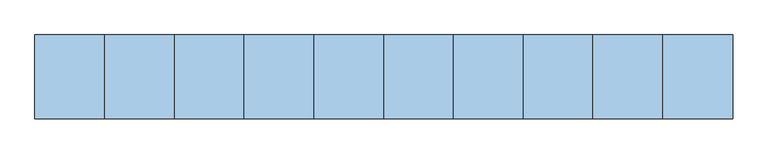
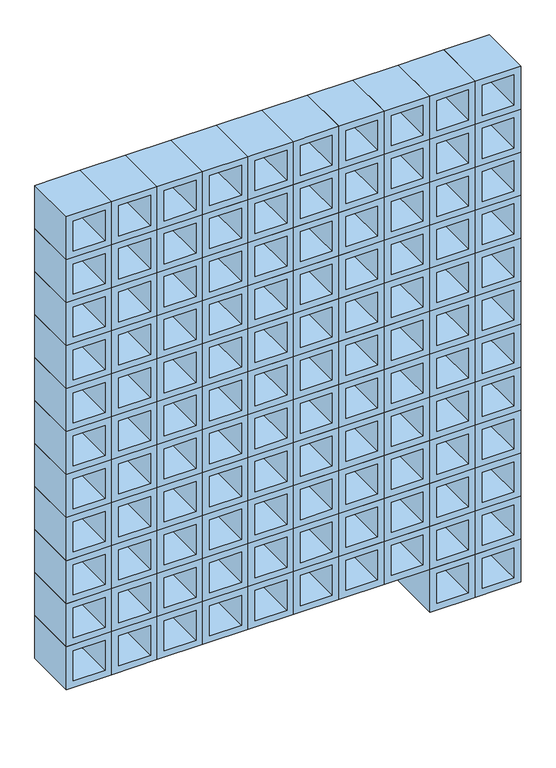
"""IFC4 building model written with IfcOpenShell, lengths in millimetres: window geometry."""

from ifc_helpers import new_model, si_unit, frame, origin, place, context, project, spatial, polyline, outline, extrude, source, transform, mapped, element, save


def window_8a2be642(model_context):
    return source(origin(), model_context, "Body", "SweptSolid", [
        extrude(outline(polyline([(2100.0, 500.0), (2200.0, 500.0), (2200.0, 400.0), (2100.0, 400.0), (2100.0, 500.0)]), holes=[polyline([(2185.0, 415.0), (2185.0, 485.0), (2115.0, 485.0), (2115.0, 415.0), (2185.0, 415.0)])]), frame((0.0, -60.0, 0.0), z_axis=(0.0, 1.0, 0.0), x_axis=(0.0, 0.0, 1.0)), (0.0, 0.0, 1.0), 120.0),
        extrude(outline(polyline([(2100.0, 400.0), (2200.0, 400.0), (2200.0, 300.0), (2100.0, 300.0), (2100.0, 400.0)]), holes=[polyline([(2185.0, 315.0), (2185.0, 385.0), (2115.0, 385.0), (2115.0, 315.0), (2185.0, 315.0)])]), frame((0.0, -60.0, 0.0), z_axis=(0.0, 1.0, 0.0), x_axis=(0.0, 0.0, 1.0)), (0.0, 0.0, 1.0), 120.0),
        extrude(outline(polyline([(2100.0, 300.0), (2200.0, 300.0), (2200.0, 200.0), (2100.0, 200.0), (2100.0, 300.0)]), holes=[polyline([(2185.0, 215.0), (2185.0, 285.0), (2115.0, 285.0), (2115.0, 215.0), (2185.0, 215.0)])]), frame((0.0, -60.0, 0.0), z_axis=(0.0, 1.0, 0.0), x_axis=(0.0, 0.0, 1.0)), (0.0, 0.0, 1.0), 120.0),
        extrude(outline(polyline([(2100.0, 200.0), (2200.0, 200.0), (2200.0, 100.0), (2100.0, 100.0), (2100.0, 200.0)]), holes=[polyline([(2185.0, 115.0), (2185.0, 185.0), (2115.0, 185.0), (2115.0, 115.0), (2185.0, 115.0)])]), frame((0.0, -60.0, 0.0), z_axis=(0.0, 1.0, 0.0), x_axis=(0.0, 0.0, 1.0)), (0.0, 0.0, 1.0), 120.0),
        extrude(outline(polyline([(2100.0, 100.0), (2200.0, 100.0), (2200.0, 0.0), (2100.0, 0.0), (2100.0, 100.0)]), holes=[polyline([(2185.0, 15.0), (2185.0, 85.0), (2115.0, 85.0), (2115.0, 15.0), (2185.0, 15.0)])]), frame((0.0, -60.0, 0.0), z_axis=(0.0, 1.0, 0.0), x_axis=(0.0, 0.0, 1.0)), (0.0, 0.0, 1.0), 120.0),
        extrude(outline(polyline([(2100.0, 0.0), (2200.0, 0.0), (2200.0, -100.0), (2100.0, -100.0), (2100.0, 0.0)]), holes=[polyline([(2185.0, -85.0), (2185.0, -15.0), (2115.0, -15.0), (2115.0, -85.0), (2185.0, -85.0)])]), frame((0.0, -60.0, 0.0), z_axis=(0.0, 1.0, 0.0), x_axis=(0.0, 0.0, 1.0)), (0.0, 0.0, 1.0), 120.0),
        extrude(outline(polyline([(2100.0, -100.0), (2200.0, -100.0), (2200.0, -200.0), (2100.0, -200.0), (2100.0, -100.0)]), holes=[polyline([(2185.0, -185.0), (2185.0, -115.0), (2115.0, -115.0), (2115.0, -185.0), (2185.0, -185.0)])]), frame((0.0, -60.0, 0.0), z_axis=(0.0, 1.0, 0.0), x_axis=(0.0, 0.0, 1.0)), (0.0, 0.0, 1.0), 120.0),
        extrude(outline(polyline([(2100.0, -200.0), (2200.0, -200.0), (2200.0, -300.0), (2100.0, -300.0), (2100.0, -200.0)]), holes=[polyline([(2185.0, -285.0), (2185.0, -215.0), (2115.0, -215.0), (2115.0, -285.0), (2185.0, -285.0)])]), frame((0.0, -60.0, 0.0), z_axis=(0.0, 1.0, 0.0), x_axis=(0.0, 0.0, 1.0)), (0.0, 0.0, 1.0), 120.0),
        extrude(outline(polyline([(2100.0, -300.0), (2200.0, -300.0), (2200.0, -400.0), (2100.0, -400.0), (2100.0, -300.0)]), holes=[polyline([(2185.0, -385.0), (2185.0, -315.0), (2115.0, -315.0), (2115.0, -385.0), (2185.0, -385.0)])]), frame((0.0, -60.0, 0.0), z_axis=(0.0, 1.0, 0.0), x_axis=(0.0, 0.0, 1.0)), (0.0, 0.0, 1.0), 120.0),
        extrude(outline(polyline([(2100.0, -400.0), (2200.0, -400.0), (2200.0, -500.0), (2100.0, -500.0), (2100.0, -400.0)]), holes=[polyline([(2185.0, -485.0), (2185.0, -415.0), (2115.0, -415.0), (2115.0, -485.0), (2185.0, -485.0)])]), frame((0.0, -60.0, 0.0), z_axis=(0.0, 1.0, 0.0), x_axis=(0.0, 0.0, 1.0)), (0.0, 0.0, 1.0), 120.0),
        extrude(outline(polyline([(2000.0, 500.0), (2100.0, 500.0), (2100.0, 400.0), (2000.0, 400.0), (2000.0, 500.0)]), holes=[polyline([(2085.0, 415.0), (2085.0, 485.0), (2015.0, 485.0), (2015.0, 415.0), (2085.0, 415.0)])]), frame((0.0, -60.0, 0.0), z_axis=(0.0, 1.0, 0.0), x_axis=(0.0, 0.0, 1.0)), (0.0, 0.0, 1.0), 120.0),
        extrude(outline(polyline([(2000.0, 400.0), (2100.0, 400.0), (2100.0, 300.0), (2000.0, 300.0), (2000.0, 400.0)]), holes=[polyline([(2085.0, 315.0), (2085.0, 385.0), (2015.0, 385.0), (2015.0, 315.0), (2085.0, 315.0)])]), frame((0.0, -60.0, 0.0), z_axis=(0.0, 1.0, 0.0), x_axis=(0.0, 0.0, 1.0)), (0.0, 0.0, 1.0), 120.0),
        extrude(outline(polyline([(2000.0, 300.0), (2100.0, 300.0), (2100.0, 200.0), (2000.0, 200.0), (2000.0, 300.0)]), holes=[polyline([(2085.0, 215.0), (2085.0, 285.0), (2015.0, 285.0), (2015.0, 215.0), (2085.0, 215.0)])]), frame((0.0, -60.0, 0.0), z_axis=(0.0, 1.0, 0.0), x_axis=(0.0, 0.0, 1.0)), (0.0, 0.0, 1.0), 120.0),
        extrude(outline(polyline([(2000.0, 200.0), (2100.0, 200.0), (2100.0, 100.0), (2000.0, 100.0), (2000.0, 200.0)]), holes=[polyline([(2085.0, 115.0), (2085.0, 185.0), (2015.0, 185.0), (2015.0, 115.0), (2085.0, 115.0)])]), frame((0.0, -60.0, 0.0), z_axis=(0.0, 1.0, 0.0), x_axis=(0.0, 0.0, 1.0)), (0.0, 0.0, 1.0), 120.0),
        extrude(outline(polyline([(2000.0, 100.0), (2100.0, 100.0), (2100.0, 0.0), (2000.0, 0.0), (2000.0, 100.0)]), holes=[polyline([(2085.0, 15.0), (2085.0, 85.0), (2015.0, 85.0), (2015.0, 15.0), (2085.0, 15.0)])]), frame((0.0, -60.0, 0.0), z_axis=(0.0, 1.0, 0.0), x_axis=(0.0, 0.0, 1.0)), (0.0, 0.0, 1.0), 120.0),
        extrude(outline(polyline([(2000.0, 0.0), (2100.0, 0.0), (2100.0, -100.0), (2000.0, -100.0), (2000.0, 0.0)]), holes=[polyline([(2085.0, -85.0), (2085.0, -15.0), (2015.0, -15.0), (2015.0, -85.0), (2085.0, -85.0)])]), frame((0.0, -60.0, 0.0), z_axis=(0.0, 1.0, 0.0), x_axis=(0.0, 0.0, 1.0)), (0.0, 0.0, 1.0), 120.0),
        extrude(outline(polyline([(2000.0, -100.0), (2100.0, -100.0), (2100.0, -200.0), (2000.0, -200.0), (2000.0, -100.0)]), holes=[polyline([(2085.0, -185.0), (2085.0, -115.0), (2015.0, -115.0), (2015.0, -185.0), (2085.0, -185.0)])]), frame((0.0, -60.0, 0.0), z_axis=(0.0, 1.0, 0.0), x_axis=(0.0, 0.0, 1.0)), (0.0, 0.0, 1.0), 120.0),
        extrude(outline(polyline([(2000.0, -200.0), (2100.0, -200.0), (2100.0, -300.0), (2000.0, -300.0), (2000.0, -200.0)]), holes=[polyline([(2085.0, -285.0), (2085.0, -215.0), (2015.0, -215.0), (2015.0, -285.0), (2085.0, -285.0)])]), frame((0.0, -60.0, 0.0), z_axis=(0.0, 1.0, 0.0), x_axis=(0.0, 0.0, 1.0)), (0.0, 0.0, 1.0), 120.0),
        extrude(outline(polyline([(2000.0, -300.0), (2100.0, -300.0), (2100.0, -400.0), (2000.0, -400.0), (2000.0, -300.0)]), holes=[polyline([(2085.0, -385.0), (2085.0, -315.0), (2015.0, -315.0), (2015.0, -385.0), (2085.0, -385.0)])]), frame((0.0, -60.0, 0.0), z_axis=(0.0, 1.0, 0.0), x_axis=(0.0, 0.0, 1.0)), (0.0, 0.0, 1.0), 120.0),
        extrude(outline(polyline([(2000.0, -400.0), (2100.0, -400.0), (2100.0, -500.0), (2000.0, -500.0), (2000.0, -400.0)]), holes=[polyline([(2085.0, -485.0), (2085.0, -415.0), (2015.0, -415.0), (2015.0, -485.0), (2085.0, -485.0)])]), frame((0.0, -60.0, 0.0), z_axis=(0.0, 1.0, 0.0), x_axis=(0.0, 0.0, 1.0)), (0.0, 0.0, 1.0), 120.0),
        extrude(outline(polyline([(1900.0, 500.0), (2000.0, 500.0), (2000.0, 400.0), (1900.0, 400.0), (1900.0, 500.0)]), holes=[polyline([(1985.0, 415.0), (1985.0, 485.0), (1915.0, 485.0), (1915.0, 415.0), (1985.0, 415.0)])]), frame((0.0, -60.0, 0.0), z_axis=(0.0, 1.0, 0.0), x_axis=(0.0, 0.0, 1.0)), (0.0, 0.0, 1.0), 120.0),
        extrude(outline(polyline([(1900.0, 400.0), (2000.0, 400.0), (2000.0, 300.0), (1900.0, 300.0), (1900.0, 400.0)]), holes=[polyline([(1985.0, 315.0), (1985.0, 385.0), (1915.0, 385.0), (1915.0, 315.0), (1985.0, 315.0)])]), frame((0.0, -60.0, 0.0), z_axis=(0.0, 1.0, 0.0), x_axis=(0.0, 0.0, 1.0)), (0.0, 0.0, 1.0), 120.0),
        extrude(outline(polyline([(1900.0, 300.0), (2000.0, 300.0), (2000.0, 200.0), (1900.0, 200.0), (1900.0, 300.0)]), holes=[polyline([(1985.0, 215.0), (1985.0, 285.0), (1915.0, 285.0), (1915.0, 215.0), (1985.0, 215.0)])]), frame((0.0, -60.0, 0.0), z_axis=(0.0, 1.0, 0.0), x_axis=(0.0, 0.0, 1.0)), (0.0, 0.0, 1.0), 120.0),
        extrude(outline(polyline([(1900.0, 200.0), (2000.0, 200.0), (2000.0, 100.0), (1900.0, 100.0), (1900.0, 200.0)]), holes=[polyline([(1985.0, 115.0), (1985.0, 185.0), (1915.0, 185.0), (1915.0, 115.0), (1985.0, 115.0)])]), frame((0.0, -60.0, 0.0), z_axis=(0.0, 1.0, 0.0), x_axis=(0.0, 0.0, 1.0)), (0.0, 0.0, 1.0), 120.0),
        extrude(outline(polyline([(1900.0, 100.0), (2000.0, 100.0), (2000.0, 0.0), (1900.0, 0.0), (1900.0, 100.0)]), holes=[polyline([(1985.0, 15.0), (1985.0, 85.0), (1915.0, 85.0), (1915.0, 15.0), (1985.0, 15.0)])]), frame((0.0, -60.0, 0.0), z_axis=(0.0, 1.0, 0.0), x_axis=(0.0, 0.0, 1.0)), (0.0, 0.0, 1.0), 120.0),
        extrude(outline(polyline([(1900.0, 0.0), (2000.0, 0.0), (2000.0, -100.0), (1900.0, -100.0), (1900.0, 0.0)]), holes=[polyline([(1985.0, -85.0), (1985.0, -15.0), (1915.0, -15.0), (1915.0, -85.0), (1985.0, -85.0)])]), frame((0.0, -60.0, 0.0), z_axis=(0.0, 1.0, 0.0), x_axis=(0.0, 0.0, 1.0)), (0.0, 0.0, 1.0), 120.0),
        extrude(outline(polyline([(1900.0, -100.0), (2000.0, -100.0), (2000.0, -200.0), (1900.0, -200.0), (1900.0, -100.0)]), holes=[polyline([(1985.0, -185.0), (1985.0, -115.0), (1915.0, -115.0), (1915.0, -185.0), (1985.0, -185.0)])]), frame((0.0, -60.0, 0.0), z_axis=(0.0, 1.0, 0.0), x_axis=(0.0, 0.0, 1.0)), (0.0, 0.0, 1.0), 120.0),
        extrude(outline(polyline([(1900.0, -200.0), (2000.0, -200.0), (2000.0, -300.0), (1900.0, -300.0), (1900.0, -200.0)]), holes=[polyline([(1985.0, -285.0), (1985.0, -215.0), (1915.0, -215.0), (1915.0, -285.0), (1985.0, -285.0)])]), frame((0.0, -60.0, 0.0), z_axis=(0.0, 1.0, 0.0), x_axis=(0.0, 0.0, 1.0)), (0.0, 0.0, 1.0), 120.0),
        extrude(outline(polyline([(1900.0, -300.0), (2000.0, -300.0), (2000.0, -400.0), (1900.0, -400.0), (1900.0, -300.0)]), holes=[polyline([(1985.0, -385.0), (1985.0, -315.0), (1915.0, -315.0), (1915.0, -385.0), (1985.0, -385.0)])]), frame((0.0, -60.0, 0.0), z_axis=(0.0, 1.0, 0.0), x_axis=(0.0, 0.0, 1.0)), (0.0, 0.0, 1.0), 120.0),
        extrude(outline(polyline([(1900.0, -400.0), (2000.0, -400.0), (2000.0, -500.0), (1900.0, -500.0), (1900.0, -400.0)]), holes=[polyline([(1985.0, -485.0), (1985.0, -415.0), (1915.0, -415.0), (1915.0, -485.0), (1985.0, -485.0)])]), frame((0.0, -60.0, 0.0), z_axis=(0.0, 1.0, 0.0), x_axis=(0.0, 0.0, 1.0)), (0.0, 0.0, 1.0), 120.0),
        extrude(outline(polyline([(1800.0, 500.0), (1900.0, 500.0), (1900.0, 400.0), (1800.0, 400.0), (1800.0, 500.0)]), holes=[polyline([(1885.0, 415.0), (1885.0, 485.0), (1815.0, 485.0), (1815.0, 415.0), (1885.0, 415.0)])]), frame((0.0, -60.0, 0.0), z_axis=(0.0, 1.0, 0.0), x_axis=(0.0, 0.0, 1.0)), (0.0, 0.0, 1.0), 120.0),
        extrude(outline(polyline([(1800.0, 400.0), (1900.0, 400.0), (1900.0, 300.0), (1800.0, 300.0), (1800.0, 400.0)]), holes=[polyline([(1885.0, 315.0), (1885.0, 385.0), (1815.0, 385.0), (1815.0, 315.0), (1885.0, 315.0)])]), frame((0.0, -60.0, 0.0), z_axis=(0.0, 1.0, 0.0), x_axis=(0.0, 0.0, 1.0)), (0.0, 0.0, 1.0), 120.0),
        extrude(outline(polyline([(1800.0, 300.0), (1900.0, 300.0), (1900.0, 200.0), (1800.0, 200.0), (1800.0, 300.0)]), holes=[polyline([(1885.0, 215.0), (1885.0, 285.0), (1815.0, 285.0), (1815.0, 215.0), (1885.0, 215.0)])]), frame((0.0, -60.0, 0.0), z_axis=(0.0, 1.0, 0.0), x_axis=(0.0, 0.0, 1.0)), (0.0, 0.0, 1.0), 120.0),
        extrude(outline(polyline([(1800.0, 200.0), (1900.0, 200.0), (1900.0, 100.0), (1800.0, 100.0), (1800.0, 200.0)]), holes=[polyline([(1885.0, 115.0), (1885.0, 185.0), (1815.0, 185.0), (1815.0, 115.0), (1885.0, 115.0)])]), frame((0.0, -60.0, 0.0), z_axis=(0.0, 1.0, 0.0), x_axis=(0.0, 0.0, 1.0)), (0.0, 0.0, 1.0), 120.0),
        extrude(outline(polyline([(1800.0, 100.0), (1900.0, 100.0), (1900.0, 0.0), (1800.0, 0.0), (1800.0, 100.0)]), holes=[polyline([(1885.0, 15.0), (1885.0, 85.0), (1815.0, 85.0), (1815.0, 15.0), (1885.0, 15.0)])]), frame((0.0, -60.0, 0.0), z_axis=(0.0, 1.0, 0.0), x_axis=(0.0, 0.0, 1.0)), (0.0, 0.0, 1.0), 120.0),
        extrude(outline(polyline([(1800.0, 0.0), (1900.0, 0.0), (1900.0, -100.0), (1800.0, -100.0), (1800.0, 0.0)]), holes=[polyline([(1885.0, -85.0), (1885.0, -15.0), (1815.0, -15.0), (1815.0, -85.0), (1885.0, -85.0)])]), frame((0.0, -60.0, 0.0), z_axis=(0.0, 1.0, 0.0), x_axis=(0.0, 0.0, 1.0)), (0.0, 0.0, 1.0), 120.0),
        extrude(outline(polyline([(1800.0, -100.0), (1900.0, -100.0), (1900.0, -200.0), (1800.0, -200.0), (1800.0, -100.0)]), holes=[polyline([(1885.0, -185.0), (1885.0, -115.0), (1815.0, -115.0), (1815.0, -185.0), (1885.0, -185.0)])]), frame((0.0, -60.0, 0.0), z_axis=(0.0, 1.0, 0.0), x_axis=(0.0, 0.0, 1.0)), (0.0, 0.0, 1.0), 120.0),
        extrude(outline(polyline([(1800.0, -200.0), (1900.0, -200.0), (1900.0, -300.0), (1800.0, -300.0), (1800.0, -200.0)]), holes=[polyline([(1885.0, -285.0), (1885.0, -215.0), (1815.0, -215.0), (1815.0, -285.0), (1885.0, -285.0)])]), frame((0.0, -60.0, 0.0), z_axis=(0.0, 1.0, 0.0), x_axis=(0.0, 0.0, 1.0)), (0.0, 0.0, 1.0), 120.0),
        extrude(outline(polyline([(1800.0, -300.0), (1900.0, -300.0), (1900.0, -400.0), (1800.0, -400.0), (1800.0, -300.0)]), holes=[polyline([(1885.0, -385.0), (1885.0, -315.0), (1815.0, -315.0), (1815.0, -385.0), (1885.0, -385.0)])]), frame((0.0, -60.0, 0.0), z_axis=(0.0, 1.0, 0.0), x_axis=(0.0, 0.0, 1.0)), (0.0, 0.0, 1.0), 120.0),
        extrude(outline(polyline([(1800.0, -400.0), (1900.0, -400.0), (1900.0, -500.0), (1800.0, -500.0), (1800.0, -400.0)]), holes=[polyline([(1885.0, -485.0), (1885.0, -415.0), (1815.0, -415.0), (1815.0, -485.0), (1885.0, -485.0)])]), frame((0.0, -60.0, 0.0), z_axis=(0.0, 1.0, 0.0), x_axis=(0.0, 0.0, 1.0)), (0.0, 0.0, 1.0), 120.0),
        extrude(outline(polyline([(1700.0, 500.0), (1800.0, 500.0), (1800.0, 400.0), (1700.0, 400.0), (1700.0, 500.0)]), holes=[polyline([(1785.0, 415.0), (1785.0, 485.0), (1715.0, 485.0), (1715.0, 415.0), (1785.0, 415.0)])]), frame((0.0, -60.0, 0.0), z_axis=(0.0, 1.0, 0.0), x_axis=(0.0, 0.0, 1.0)), (0.0, 0.0, 1.0), 120.0),
        extrude(outline(polyline([(1700.0, 400.0), (1800.0, 400.0), (1800.0, 300.0), (1700.0, 300.0), (1700.0, 400.0)]), holes=[polyline([(1785.0, 315.0), (1785.0, 385.0), (1715.0, 385.0), (1715.0, 315.0), (1785.0, 315.0)])]), frame((0.0, -60.0, 0.0), z_axis=(0.0, 1.0, 0.0), x_axis=(0.0, 0.0, 1.0)), (0.0, 0.0, 1.0), 120.0),
        extrude(outline(polyline([(1700.0, 300.0), (1800.0, 300.0), (1800.0, 200.0), (1700.0, 200.0), (1700.0, 300.0)]), holes=[polyline([(1785.0, 215.0), (1785.0, 285.0), (1715.0, 285.0), (1715.0, 215.0), (1785.0, 215.0)])]), frame((0.0, -60.0, 0.0), z_axis=(0.0, 1.0, 0.0), x_axis=(0.0, 0.0, 1.0)), (0.0, 0.0, 1.0), 120.0),
        extrude(outline(polyline([(1700.0, 200.0), (1800.0, 200.0), (1800.0, 100.0), (1700.0, 100.0), (1700.0, 200.0)]), holes=[polyline([(1785.0, 115.0), (1785.0, 185.0), (1715.0, 185.0), (1715.0, 115.0), (1785.0, 115.0)])]), frame((0.0, -60.0, 0.0), z_axis=(0.0, 1.0, 0.0), x_axis=(0.0, 0.0, 1.0)), (0.0, 0.0, 1.0), 120.0),
        extrude(outline(polyline([(1700.0, 100.0), (1800.0, 100.0), (1800.0, 0.0), (1700.0, 0.0), (1700.0, 100.0)]), holes=[polyline([(1785.0, 15.0), (1785.0, 85.0), (1715.0, 85.0), (1715.0, 15.0), (1785.0, 15.0)])]), frame((0.0, -60.0, 0.0), z_axis=(0.0, 1.0, 0.0), x_axis=(0.0, 0.0, 1.0)), (0.0, 0.0, 1.0), 120.0),
        extrude(outline(polyline([(1700.0, 0.0), (1800.0, 0.0), (1800.0, -100.0), (1700.0, -100.0), (1700.0, 0.0)]), holes=[polyline([(1785.0, -85.0), (1785.0, -15.0), (1715.0, -15.0), (1715.0, -85.0), (1785.0, -85.0)])]), frame((0.0, -60.0, 0.0), z_axis=(0.0, 1.0, 0.0), x_axis=(0.0, 0.0, 1.0)), (0.0, 0.0, 1.0), 120.0),
        extrude(outline(polyline([(1700.0, -100.0), (1800.0, -100.0), (1800.0, -200.0), (1700.0, -200.0), (1700.0, -100.0)]), holes=[polyline([(1785.0, -185.0), (1785.0, -115.0), (1715.0, -115.0), (1715.0, -185.0), (1785.0, -185.0)])]), frame((0.0, -60.0, 0.0), z_axis=(0.0, 1.0, 0.0), x_axis=(0.0, 0.0, 1.0)), (0.0, 0.0, 1.0), 120.0),
        extrude(outline(polyline([(1700.0, -200.0), (1800.0, -200.0), (1800.0, -300.0), (1700.0, -300.0), (1700.0, -200.0)]), holes=[polyline([(1785.0, -285.0), (1785.0, -215.0), (1715.0, -215.0), (1715.0, -285.0), (1785.0, -285.0)])]), frame((0.0, -60.0, 0.0), z_axis=(0.0, 1.0, 0.0), x_axis=(0.0, 0.0, 1.0)), (0.0, 0.0, 1.0), 120.0),
        extrude(outline(polyline([(1700.0, -300.0), (1800.0, -300.0), (1800.0, -400.0), (1700.0, -400.0), (1700.0, -300.0)]), holes=[polyline([(1785.0, -385.0), (1785.0, -315.0), (1715.0, -315.0), (1715.0, -385.0), (1785.0, -385.0)])]), frame((0.0, -60.0, 0.0), z_axis=(0.0, 1.0, 0.0), x_axis=(0.0, 0.0, 1.0)), (0.0, 0.0, 1.0), 120.0),
        extrude(outline(polyline([(1700.0, -400.0), (1800.0, -400.0), (1800.0, -500.0), (1700.0, -500.0), (1700.0, -400.0)]), holes=[polyline([(1785.0, -485.0), (1785.0, -415.0), (1715.0, -415.0), (1715.0, -485.0), (1785.0, -485.0)])]), frame((0.0, -60.0, 0.0), z_axis=(0.0, 1.0, 0.0), x_axis=(0.0, 0.0, 1.0)), (0.0, 0.0, 1.0), 120.0),
        extrude(outline(polyline([(1600.0, 500.0), (1700.0, 500.0), (1700.0, 400.0), (1600.0, 400.0), (1600.0, 500.0)]), holes=[polyline([(1685.0, 415.0), (1685.0, 485.0), (1615.0, 485.0), (1615.0, 415.0), (1685.0, 415.0)])]), frame((0.0, -60.0, 0.0), z_axis=(0.0, 1.0, 0.0), x_axis=(0.0, 0.0, 1.0)), (0.0, 0.0, 1.0), 120.0),
        extrude(outline(polyline([(1600.0, 400.0), (1700.0, 400.0), (1700.0, 300.0), (1600.0, 300.0), (1600.0, 400.0)]), holes=[polyline([(1685.0, 315.0), (1685.0, 385.0), (1615.0, 385.0), (1615.0, 315.0), (1685.0, 315.0)])]), frame((0.0, -60.0, 0.0), z_axis=(0.0, 1.0, 0.0), x_axis=(0.0, 0.0, 1.0)), (0.0, 0.0, 1.0), 120.0),
        extrude(outline(polyline([(1600.0, 300.0), (1700.0, 300.0), (1700.0, 200.0), (1600.0, 200.0), (1600.0, 300.0)]), holes=[polyline([(1685.0, 215.0), (1685.0, 285.0), (1615.0, 285.0), (1615.0, 215.0), (1685.0, 215.0)])]), frame((0.0, -60.0, 0.0), z_axis=(0.0, 1.0, 0.0), x_axis=(0.0, 0.0, 1.0)), (0.0, 0.0, 1.0), 120.0),
        extrude(outline(polyline([(1600.0, 200.0), (1700.0, 200.0), (1700.0, 100.0), (1600.0, 100.0), (1600.0, 200.0)]), holes=[polyline([(1685.0, 115.0), (1685.0, 185.0), (1615.0, 185.0), (1615.0, 115.0), (1685.0, 115.0)])]), frame((0.0, -60.0, 0.0), z_axis=(0.0, 1.0, 0.0), x_axis=(0.0, 0.0, 1.0)), (0.0, 0.0, 1.0), 120.0),
        extrude(outline(polyline([(1600.0, 100.0), (1700.0, 100.0), (1700.0, 0.0), (1600.0, 0.0), (1600.0, 100.0)]), holes=[polyline([(1685.0, 15.0), (1685.0, 85.0), (1615.0, 85.0), (1615.0, 15.0), (1685.0, 15.0)])]), frame((0.0, -60.0, 0.0), z_axis=(0.0, 1.0, 0.0), x_axis=(0.0, 0.0, 1.0)), (0.0, 0.0, 1.0), 120.0),
        extrude(outline(polyline([(1600.0, 0.0), (1700.0, 0.0), (1700.0, -100.0), (1600.0, -100.0), (1600.0, 0.0)]), holes=[polyline([(1685.0, -85.0), (1685.0, -15.0), (1615.0, -15.0), (1615.0, -85.0), (1685.0, -85.0)])]), frame((0.0, -60.0, 0.0), z_axis=(0.0, 1.0, 0.0), x_axis=(0.0, 0.0, 1.0)), (0.0, 0.0, 1.0), 120.0),
        extrude(outline(polyline([(1600.0, -100.0), (1700.0, -100.0), (1700.0, -200.0), (1600.0, -200.0), (1600.0, -100.0)]), holes=[polyline([(1685.0, -185.0), (1685.0, -115.0), (1615.0, -115.0), (1615.0, -185.0), (1685.0, -185.0)])]), frame((0.0, -60.0, 0.0), z_axis=(0.0, 1.0, 0.0), x_axis=(0.0, 0.0, 1.0)), (0.0, 0.0, 1.0), 120.0),
        extrude(outline(polyline([(1600.0, -200.0), (1700.0, -200.0), (1700.0, -300.0), (1600.0, -300.0), (1600.0, -200.0)]), holes=[polyline([(1685.0, -285.0), (1685.0, -215.0), (1615.0, -215.0), (1615.0, -285.0), (1685.0, -285.0)])]), frame((0.0, -60.0, 0.0), z_axis=(0.0, 1.0, 0.0), x_axis=(0.0, 0.0, 1.0)), (0.0, 0.0, 1.0), 120.0),
        extrude(outline(polyline([(1600.0, -300.0), (1700.0, -300.0), (1700.0, -400.0), (1600.0, -400.0), (1600.0, -300.0)]), holes=[polyline([(1685.0, -385.0), (1685.0, -315.0), (1615.0, -315.0), (1615.0, -385.0), (1685.0, -385.0)])]), frame((0.0, -60.0, 0.0), z_axis=(0.0, 1.0, 0.0), x_axis=(0.0, 0.0, 1.0)), (0.0, 0.0, 1.0), 120.0),
        extrude(outline(polyline([(1600.0, -400.0), (1700.0, -400.0), (1700.0, -500.0), (1600.0, -500.0), (1600.0, -400.0)]), holes=[polyline([(1685.0, -485.0), (1685.0, -415.0), (1615.0, -415.0), (1615.0, -485.0), (1685.0, -485.0)])]), frame((0.0, -60.0, 0.0), z_axis=(0.0, 1.0, 0.0), x_axis=(0.0, 0.0, 1.0)), (0.0, 0.0, 1.0), 120.0),
        extrude(outline(polyline([(1500.0, 500.0), (1600.0, 500.0), (1600.0, 400.0), (1500.0, 400.0), (1500.0, 500.0)]), holes=[polyline([(1585.0, 415.0), (1585.0, 485.0), (1515.0, 485.0), (1515.0, 415.0), (1585.0, 415.0)])]), frame((0.0, -60.0, 0.0), z_axis=(0.0, 1.0, 0.0), x_axis=(0.0, 0.0, 1.0)), (0.0, 0.0, 1.0), 120.0),
        extrude(outline(polyline([(1500.0, 400.0), (1600.0, 400.0), (1600.0, 300.0), (1500.0, 300.0), (1500.0, 400.0)]), holes=[polyline([(1585.0, 315.0), (1585.0, 385.0), (1515.0, 385.0), (1515.0, 315.0), (1585.0, 315.0)])]), frame((0.0, -60.0, 0.0), z_axis=(0.0, 1.0, 0.0), x_axis=(0.0, 0.0, 1.0)), (0.0, 0.0, 1.0), 120.0),
        extrude(outline(polyline([(1500.0, 300.0), (1600.0, 300.0), (1600.0, 200.0), (1500.0, 200.0), (1500.0, 300.0)]), holes=[polyline([(1585.0, 215.0), (1585.0, 285.0), (1515.0, 285.0), (1515.0, 215.0), (1585.0, 215.0)])]), frame((0.0, -60.0, 0.0), z_axis=(0.0, 1.0, 0.0), x_axis=(0.0, 0.0, 1.0)), (0.0, 0.0, 1.0), 120.0),
        extrude(outline(polyline([(1500.0, 200.0), (1600.0, 200.0), (1600.0, 100.0), (1500.0, 100.0), (1500.0, 200.0)]), holes=[polyline([(1585.0, 115.0), (1585.0, 185.0), (1515.0, 185.0), (1515.0, 115.0), (1585.0, 115.0)])]), frame((0.0, -60.0, 0.0), z_axis=(0.0, 1.0, 0.0), x_axis=(0.0, 0.0, 1.0)), (0.0, 0.0, 1.0), 120.0),
        extrude(outline(polyline([(1500.0, 100.0), (1600.0, 100.0), (1600.0, 0.0), (1500.0, 0.0), (1500.0, 100.0)]), holes=[polyline([(1585.0, 15.0), (1585.0, 85.0), (1515.0, 85.0), (1515.0, 15.0), (1585.0, 15.0)])]), frame((0.0, -60.0, 0.0), z_axis=(0.0, 1.0, 0.0), x_axis=(0.0, 0.0, 1.0)), (0.0, 0.0, 1.0), 120.0),
        extrude(outline(polyline([(1500.0, 0.0), (1600.0, 0.0), (1600.0, -100.0), (1500.0, -100.0), (1500.0, 0.0)]), holes=[polyline([(1585.0, -85.0), (1585.0, -15.0), (1515.0, -15.0), (1515.0, -85.0), (1585.0, -85.0)])]), frame((0.0, -60.0, 0.0), z_axis=(0.0, 1.0, 0.0), x_axis=(0.0, 0.0, 1.0)), (0.0, 0.0, 1.0), 120.0),
        extrude(outline(polyline([(1500.0, -100.0), (1600.0, -100.0), (1600.0, -200.0), (1500.0, -200.0), (1500.0, -100.0)]), holes=[polyline([(1585.0, -185.0), (1585.0, -115.0), (1515.0, -115.0), (1515.0, -185.0), (1585.0, -185.0)])]), frame((0.0, -60.0, 0.0), z_axis=(0.0, 1.0, 0.0), x_axis=(0.0, 0.0, 1.0)), (0.0, 0.0, 1.0), 120.0),
        extrude(outline(polyline([(1500.0, -200.0), (1600.0, -200.0), (1600.0, -300.0), (1500.0, -300.0), (1500.0, -200.0)]), holes=[polyline([(1585.0, -285.0), (1585.0, -215.0), (1515.0, -215.0), (1515.0, -285.0), (1585.0, -285.0)])]), frame((0.0, -60.0, 0.0), z_axis=(0.0, 1.0, 0.0), x_axis=(0.0, 0.0, 1.0)), (0.0, 0.0, 1.0), 120.0),
        extrude(outline(polyline([(1500.0, -300.0), (1600.0, -300.0), (1600.0, -400.0), (1500.0, -400.0), (1500.0, -300.0)]), holes=[polyline([(1585.0, -385.0), (1585.0, -315.0), (1515.0, -315.0), (1515.0, -385.0), (1585.0, -385.0)])]), frame((0.0, -60.0, 0.0), z_axis=(0.0, 1.0, 0.0), x_axis=(0.0, 0.0, 1.0)), (0.0, 0.0, 1.0), 120.0),
        extrude(outline(polyline([(1500.0, -400.0), (1600.0, -400.0), (1600.0, -500.0), (1500.0, -500.0), (1500.0, -400.0)]), holes=[polyline([(1585.0, -485.0), (1585.0, -415.0), (1515.0, -415.0), (1515.0, -485.0), (1585.0, -485.0)])]), frame((0.0, -60.0, 0.0), z_axis=(0.0, 1.0, 0.0), x_axis=(0.0, 0.0, 1.0)), (0.0, 0.0, 1.0), 120.0),
        extrude(outline(polyline([(1400.0, 500.0), (1500.0, 500.0), (1500.0, 400.0), (1400.0, 400.0), (1400.0, 500.0)]), holes=[polyline([(1485.0, 415.0), (1485.0, 485.0), (1415.0, 485.0), (1415.0, 415.0), (1485.0, 415.0)])]), frame((0.0, -60.0, 0.0), z_axis=(0.0, 1.0, 0.0), x_axis=(0.0, 0.0, 1.0)), (0.0, 0.0, 1.0), 120.0),
        extrude(outline(polyline([(1400.0, 400.0), (1500.0, 400.0), (1500.0, 300.0), (1400.0, 300.0), (1400.0, 400.0)]), holes=[polyline([(1485.0, 315.0), (1485.0, 385.0), (1415.0, 385.0), (1415.0, 315.0), (1485.0, 315.0)])]), frame((0.0, -60.0, 0.0), z_axis=(0.0, 1.0, 0.0), x_axis=(0.0, 0.0, 1.0)), (0.0, 0.0, 1.0), 120.0),
        extrude(outline(polyline([(1400.0, 300.0), (1500.0, 300.0), (1500.0, 200.0), (1400.0, 200.0), (1400.0, 300.0)]), holes=[polyline([(1485.0, 215.0), (1485.0, 285.0), (1415.0, 285.0), (1415.0, 215.0), (1485.0, 215.0)])]), frame((0.0, -60.0, 0.0), z_axis=(0.0, 1.0, 0.0), x_axis=(0.0, 0.0, 1.0)), (0.0, 0.0, 1.0), 120.0),
        extrude(outline(polyline([(1400.0, 200.0), (1500.0, 200.0), (1500.0, 100.0), (1400.0, 100.0), (1400.0, 200.0)]), holes=[polyline([(1485.0, 115.0), (1485.0, 185.0), (1415.0, 185.0), (1415.0, 115.0), (1485.0, 115.0)])]), frame((0.0, -60.0, 0.0), z_axis=(0.0, 1.0, 0.0), x_axis=(0.0, 0.0, 1.0)), (0.0, 0.0, 1.0), 120.0),
        extrude(outline(polyline([(1400.0, 100.0), (1500.0, 100.0), (1500.0, 0.0), (1400.0, 0.0), (1400.0, 100.0)]), holes=[polyline([(1485.0, 15.0), (1485.0, 85.0), (1415.0, 85.0), (1415.0, 15.0), (1485.0, 15.0)])]), frame((0.0, -60.0, 0.0), z_axis=(0.0, 1.0, 0.0), x_axis=(0.0, 0.0, 1.0)), (0.0, 0.0, 1.0), 120.0),
        extrude(outline(polyline([(1400.0, 0.0), (1500.0, 0.0), (1500.0, -100.0), (1400.0, -100.0), (1400.0, 0.0)]), holes=[polyline([(1485.0, -85.0), (1485.0, -15.0), (1415.0, -15.0), (1415.0, -85.0), (1485.0, -85.0)])]), frame((0.0, -60.0, 0.0), z_axis=(0.0, 1.0, 0.0), x_axis=(0.0, 0.0, 1.0)), (0.0, 0.0, 1.0), 120.0),
        extrude(outline(polyline([(1400.0, -100.0), (1500.0, -100.0), (1500.0, -200.0), (1400.0, -200.0), (1400.0, -100.0)]), holes=[polyline([(1485.0, -185.0), (1485.0, -115.0), (1415.0, -115.0), (1415.0, -185.0), (1485.0, -185.0)])]), frame((0.0, -60.0, 0.0), z_axis=(0.0, 1.0, 0.0), x_axis=(0.0, 0.0, 1.0)), (0.0, 0.0, 1.0), 120.0),
        extrude(outline(polyline([(1400.0, -200.0), (1500.0, -200.0), (1500.0, -300.0), (1400.0, -300.0), (1400.0, -200.0)]), holes=[polyline([(1485.0, -285.0), (1485.0, -215.0), (1415.0, -215.0), (1415.0, -285.0), (1485.0, -285.0)])]), frame((0.0, -60.0, 0.0), z_axis=(0.0, 1.0, 0.0), x_axis=(0.0, 0.0, 1.0)), (0.0, 0.0, 1.0), 120.0),
        extrude(outline(polyline([(1400.0, -300.0), (1500.0, -300.0), (1500.0, -400.0), (1400.0, -400.0), (1400.0, -300.0)]), holes=[polyline([(1485.0, -385.0), (1485.0, -315.0), (1415.0, -315.0), (1415.0, -385.0), (1485.0, -385.0)])]), frame((0.0, -60.0, 0.0), z_axis=(0.0, 1.0, 0.0), x_axis=(0.0, 0.0, 1.0)), (0.0, 0.0, 1.0), 120.0),
        extrude(outline(polyline([(1400.0, -400.0), (1500.0, -400.0), (1500.0, -500.0), (1400.0, -500.0), (1400.0, -400.0)]), holes=[polyline([(1485.0, -485.0), (1485.0, -415.0), (1415.0, -415.0), (1415.0, -485.0), (1485.0, -485.0)])]), frame((0.0, -60.0, 0.0), z_axis=(0.0, 1.0, 0.0), x_axis=(0.0, 0.0, 1.0)), (0.0, 0.0, 1.0), 120.0),
        extrude(outline(polyline([(1300.0, 500.0), (1400.0, 500.0), (1400.0, 400.0), (1300.0, 400.0), (1300.0, 500.0)]), holes=[polyline([(1385.0, 415.0), (1385.0, 485.0), (1315.0, 485.0), (1315.0, 415.0), (1385.0, 415.0)])]), frame((0.0, -60.0, 0.0), z_axis=(0.0, 1.0, 0.0), x_axis=(0.0, 0.0, 1.0)), (0.0, 0.0, 1.0), 120.0),
        extrude(outline(polyline([(1300.0, 400.0), (1400.0, 400.0), (1400.0, 300.0), (1300.0, 300.0), (1300.0, 400.0)]), holes=[polyline([(1385.0, 315.0), (1385.0, 385.0), (1315.0, 385.0), (1315.0, 315.0), (1385.0, 315.0)])]), frame((0.0, -60.0, 0.0), z_axis=(0.0, 1.0, 0.0), x_axis=(0.0, 0.0, 1.0)), (0.0, 0.0, 1.0), 120.0),
        extrude(outline(polyline([(1300.0, 300.0), (1400.0, 300.0), (1400.0, 200.0), (1300.0, 200.0), (1300.0, 300.0)]), holes=[polyline([(1385.0, 215.0), (1385.0, 285.0), (1315.0, 285.0), (1315.0, 215.0), (1385.0, 215.0)])]), frame((0.0, -60.0, 0.0), z_axis=(0.0, 1.0, 0.0), x_axis=(0.0, 0.0, 1.0)), (0.0, 0.0, 1.0), 120.0),
        extrude(outline(polyline([(1300.0, 200.0), (1400.0, 200.0), (1400.0, 100.0), (1300.0, 100.0), (1300.0, 200.0)]), holes=[polyline([(1385.0, 115.0), (1385.0, 185.0), (1315.0, 185.0), (1315.0, 115.0), (1385.0, 115.0)])]), frame((0.0, -60.0, 0.0), z_axis=(0.0, 1.0, 0.0), x_axis=(0.0, 0.0, 1.0)), (0.0, 0.0, 1.0), 120.0),
        extrude(outline(polyline([(1300.0, 100.0), (1400.0, 100.0), (1400.0, 0.0), (1300.0, 0.0), (1300.0, 100.0)]), holes=[polyline([(1385.0, 15.0), (1385.0, 85.0), (1315.0, 85.0), (1315.0, 15.0), (1385.0, 15.0)])]), frame((0.0, -60.0, 0.0), z_axis=(0.0, 1.0, 0.0), x_axis=(0.0, 0.0, 1.0)), (0.0, 0.0, 1.0), 120.0),
        extrude(outline(polyline([(1300.0, 0.0), (1400.0, 0.0), (1400.0, -100.0), (1300.0, -100.0), (1300.0, 0.0)]), holes=[polyline([(1385.0, -85.0), (1385.0, -15.0), (1315.0, -15.0), (1315.0, -85.0), (1385.0, -85.0)])]), frame((0.0, -60.0, 0.0), z_axis=(0.0, 1.0, 0.0), x_axis=(0.0, 0.0, 1.0)), (0.0, 0.0, 1.0), 120.0),
        extrude(outline(polyline([(1300.0, -100.0), (1400.0, -100.0), (1400.0, -200.0), (1300.0, -200.0), (1300.0, -100.0)]), holes=[polyline([(1385.0, -185.0), (1385.0, -115.0), (1315.0, -115.0), (1315.0, -185.0), (1385.0, -185.0)])]), frame((0.0, -60.0, 0.0), z_axis=(0.0, 1.0, 0.0), x_axis=(0.0, 0.0, 1.0)), (0.0, 0.0, 1.0), 120.0),
        extrude(outline(polyline([(1300.0, -200.0), (1400.0, -200.0), (1400.0, -300.0), (1300.0, -300.0), (1300.0, -200.0)]), holes=[polyline([(1385.0, -285.0), (1385.0, -215.0), (1315.0, -215.0), (1315.0, -285.0), (1385.0, -285.0)])]), frame((0.0, -60.0, 0.0), z_axis=(0.0, 1.0, 0.0), x_axis=(0.0, 0.0, 1.0)), (0.0, 0.0, 1.0), 120.0),
        extrude(outline(polyline([(1300.0, -300.0), (1400.0, -300.0), (1400.0, -400.0), (1300.0, -400.0), (1300.0, -300.0)]), holes=[polyline([(1385.0, -385.0), (1385.0, -315.0), (1315.0, -315.0), (1315.0, -385.0), (1385.0, -385.0)])]), frame((0.0, -60.0, 0.0), z_axis=(0.0, 1.0, 0.0), x_axis=(0.0, 0.0, 1.0)), (0.0, 0.0, 1.0), 120.0),
        extrude(outline(polyline([(1300.0, -400.0), (1400.0, -400.0), (1400.0, -500.0), (1300.0, -500.0), (1300.0, -400.0)]), holes=[polyline([(1385.0, -485.0), (1385.0, -415.0), (1315.0, -415.0), (1315.0, -485.0), (1385.0, -485.0)])]), frame((0.0, -60.0, 0.0), z_axis=(0.0, 1.0, 0.0), x_axis=(0.0, 0.0, 1.0)), (0.0, 0.0, 1.0), 120.0),
        extrude(outline(polyline([(1200.0, 500.0), (1300.0, 500.0), (1300.0, 400.0), (1200.0, 400.0), (1200.0, 500.0)]), holes=[polyline([(1285.0, 415.0), (1285.0, 485.0), (1215.0, 485.0), (1215.0, 415.0), (1285.0, 415.0)])]), frame((0.0, -60.0, 0.0), z_axis=(0.0, 1.0, 0.0), x_axis=(0.0, 0.0, 1.0)), (0.0, 0.0, 1.0), 120.0),
        extrude(outline(polyline([(1200.0, 400.0), (1300.0, 400.0), (1300.0, 300.0), (1200.0, 300.0), (1200.0, 400.0)]), holes=[polyline([(1285.0, 315.0), (1285.0, 385.0), (1215.0, 385.0), (1215.0, 315.0), (1285.0, 315.0)])]), frame((0.0, -60.0, 0.0), z_axis=(0.0, 1.0, 0.0), x_axis=(0.0, 0.0, 1.0)), (0.0, 0.0, 1.0), 120.0),
        extrude(outline(polyline([(1200.0, 300.0), (1300.0, 300.0), (1300.0, 200.0), (1200.0, 200.0), (1200.0, 300.0)]), holes=[polyline([(1285.0, 215.0), (1285.0, 285.0), (1215.0, 285.0), (1215.0, 215.0), (1285.0, 215.0)])]), frame((0.0, -60.0, 0.0), z_axis=(0.0, 1.0, 0.0), x_axis=(0.0, 0.0, 1.0)), (0.0, 0.0, 1.0), 120.0),
        extrude(outline(polyline([(1200.0, 200.0), (1300.0, 200.0), (1300.0, 100.0), (1200.0, 100.0), (1200.0, 200.0)]), holes=[polyline([(1285.0, 115.0), (1285.0, 185.0), (1215.0, 185.0), (1215.0, 115.0), (1285.0, 115.0)])]), frame((0.0, -60.0, 0.0), z_axis=(0.0, 1.0, 0.0), x_axis=(0.0, 0.0, 1.0)), (0.0, 0.0, 1.0), 120.0),
        extrude(outline(polyline([(1200.0, 100.0), (1300.0, 100.0), (1300.0, 0.0), (1200.0, 0.0), (1200.0, 100.0)]), holes=[polyline([(1285.0, 15.0), (1285.0, 85.0), (1215.0, 85.0), (1215.0, 15.0), (1285.0, 15.0)])]), frame((0.0, -60.0, 0.0), z_axis=(0.0, 1.0, 0.0), x_axis=(0.0, 0.0, 1.0)), (0.0, 0.0, 1.0), 120.0),
        extrude(outline(polyline([(1200.0, 0.0), (1300.0, 0.0), (1300.0, -100.0), (1200.0, -100.0), (1200.0, 0.0)]), holes=[polyline([(1285.0, -85.0), (1285.0, -15.0), (1215.0, -15.0), (1215.0, -85.0), (1285.0, -85.0)])]), frame((0.0, -60.0, 0.0), z_axis=(0.0, 1.0, 0.0), x_axis=(0.0, 0.0, 1.0)), (0.0, 0.0, 1.0), 120.0),
        extrude(outline(polyline([(1200.0, -100.0), (1300.0, -100.0), (1300.0, -200.0), (1200.0, -200.0), (1200.0, -100.0)]), holes=[polyline([(1285.0, -185.0), (1285.0, -115.0), (1215.0, -115.0), (1215.0, -185.0), (1285.0, -185.0)])]), frame((0.0, -60.0, 0.0), z_axis=(0.0, 1.0, 0.0), x_axis=(0.0, 0.0, 1.0)), (0.0, 0.0, 1.0), 120.0),
        extrude(outline(polyline([(1200.0, -200.0), (1300.0, -200.0), (1300.0, -300.0), (1200.0, -300.0), (1200.0, -200.0)]), holes=[polyline([(1285.0, -285.0), (1285.0, -215.0), (1215.0, -215.0), (1215.0, -285.0), (1285.0, -285.0)])]), frame((0.0, -60.0, 0.0), z_axis=(0.0, 1.0, 0.0), x_axis=(0.0, 0.0, 1.0)), (0.0, 0.0, 1.0), 120.0),
        extrude(outline(polyline([(1200.0, -300.0), (1300.0, -300.0), (1300.0, -400.0), (1200.0, -400.0), (1200.0, -300.0)]), holes=[polyline([(1285.0, -385.0), (1285.0, -315.0), (1215.0, -315.0), (1215.0, -385.0), (1285.0, -385.0)])]), frame((0.0, -60.0, 0.0), z_axis=(0.0, 1.0, 0.0), x_axis=(0.0, 0.0, 1.0)), (0.0, 0.0, 1.0), 120.0),
        extrude(outline(polyline([(1200.0, -400.0), (1300.0, -400.0), (1300.0, -500.0), (1200.0, -500.0), (1200.0, -400.0)]), holes=[polyline([(1285.0, -485.0), (1285.0, -415.0), (1215.0, -415.0), (1215.0, -485.0), (1285.0, -485.0)])]), frame((0.0, -60.0, 0.0), z_axis=(0.0, 1.0, 0.0), x_axis=(0.0, 0.0, 1.0)), (0.0, 0.0, 1.0), 120.0),
        extrude(outline(polyline([(1100.0, 500.0), (1200.0, 500.0), (1200.0, 400.0), (1100.0, 400.0), (1100.0, 500.0)]), holes=[polyline([(1185.0, 415.0), (1185.0, 485.0), (1115.0, 485.0), (1115.0, 415.0), (1185.0, 415.0)])]), frame((0.0, -60.0, 0.0), z_axis=(0.0, 1.0, 0.0), x_axis=(0.0, 0.0, 1.0)), (0.0, 0.0, 1.0), 120.0),
        extrude(outline(polyline([(1100.0, 400.0), (1200.0, 400.0), (1200.0, 300.0), (1100.0, 300.0), (1100.0, 400.0)]), holes=[polyline([(1185.0, 315.0), (1185.0, 385.0), (1115.0, 385.0), (1115.0, 315.0), (1185.0, 315.0)])]), frame((0.0, -60.0, 0.0), z_axis=(0.0, 1.0, 0.0), x_axis=(0.0, 0.0, 1.0)), (0.0, 0.0, 1.0), 120.0),
        extrude(outline(polyline([(1100.0, 300.0), (1200.0, 300.0), (1200.0, 200.0), (1100.0, 200.0), (1100.0, 300.0)]), holes=[polyline([(1185.0, 215.0), (1185.0, 285.0), (1115.0, 285.0), (1115.0, 215.0), (1185.0, 215.0)])]), frame((0.0, -60.0, 0.0), z_axis=(0.0, 1.0, 0.0), x_axis=(0.0, 0.0, 1.0)), (0.0, 0.0, 1.0), 120.0),
        extrude(outline(polyline([(1100.0, 200.0), (1200.0, 200.0), (1200.0, 100.0), (1100.0, 100.0), (1100.0, 200.0)]), holes=[polyline([(1185.0, 115.0), (1185.0, 185.0), (1115.0, 185.0), (1115.0, 115.0), (1185.0, 115.0)])]), frame((0.0, -60.0, 0.0), z_axis=(0.0, 1.0, 0.0), x_axis=(0.0, 0.0, 1.0)), (0.0, 0.0, 1.0), 120.0),
        extrude(outline(polyline([(1100.0, 100.0), (1200.0, 100.0), (1200.0, 0.0), (1100.0, 0.0), (1100.0, 100.0)]), holes=[polyline([(1185.0, 15.0), (1185.0, 85.0), (1115.0, 85.0), (1115.0, 15.0), (1185.0, 15.0)])]), frame((0.0, -60.0, 0.0), z_axis=(0.0, 1.0, 0.0), x_axis=(0.0, 0.0, 1.0)), (0.0, 0.0, 1.0), 120.0),
        extrude(outline(polyline([(1100.0, 0.0), (1200.0, 0.0), (1200.0, -100.0), (1100.0, -100.0), (1100.0, 0.0)]), holes=[polyline([(1185.0, -85.0), (1185.0, -15.0), (1115.0, -15.0), (1115.0, -85.0), (1185.0, -85.0)])]), frame((0.0, -60.0, 0.0), z_axis=(0.0, 1.0, 0.0), x_axis=(0.0, 0.0, 1.0)), (0.0, 0.0, 1.0), 120.0),
        extrude(outline(polyline([(1100.0, -100.0), (1200.0, -100.0), (1200.0, -200.0), (1100.0, -200.0), (1100.0, -100.0)]), holes=[polyline([(1185.0, -185.0), (1185.0, -115.0), (1115.0, -115.0), (1115.0, -185.0), (1185.0, -185.0)])]), frame((0.0, -60.0, 0.0), z_axis=(0.0, 1.0, 0.0), x_axis=(0.0, 0.0, 1.0)), (0.0, 0.0, 1.0), 120.0),
        extrude(outline(polyline([(1100.0, -200.0), (1200.0, -200.0), (1200.0, -300.0), (1100.0, -300.0), (1100.0, -200.0)]), holes=[polyline([(1185.0, -285.0), (1185.0, -215.0), (1115.0, -215.0), (1115.0, -285.0), (1185.0, -285.0)])]), frame((0.0, -60.0, 0.0), z_axis=(0.0, 1.0, 0.0), x_axis=(0.0, 0.0, 1.0)), (0.0, 0.0, 1.0), 120.0),
        extrude(outline(polyline([(1100.0, -300.0), (1200.0, -300.0), (1200.0, -400.0), (1100.0, -400.0), (1100.0, -300.0)]), holes=[polyline([(1185.0, -385.0), (1185.0, -315.0), (1115.0, -315.0), (1115.0, -385.0), (1185.0, -385.0)])]), frame((0.0, -60.0, 0.0), z_axis=(0.0, 1.0, 0.0), x_axis=(0.0, 0.0, 1.0)), (0.0, 0.0, 1.0), 120.0),
        extrude(outline(polyline([(1100.0, -400.0), (1200.0, -400.0), (1200.0, -500.0), (1100.0, -500.0), (1100.0, -400.0)]), holes=[polyline([(1185.0, -485.0), (1185.0, -415.0), (1115.0, -415.0), (1115.0, -485.0), (1185.0, -485.0)])]), frame((0.0, -60.0, 0.0), z_axis=(0.0, 1.0, 0.0), x_axis=(0.0, 0.0, 1.0)), (0.0, 0.0, 1.0), 120.0),
        extrude(outline(polyline([(1000.0, 500.0), (1100.0, 500.0), (1100.0, 400.0), (1000.0, 400.0), (1000.0, 500.0)]), holes=[polyline([(1085.0, 415.0), (1085.0, 485.0), (1015.0, 485.0), (1015.0, 415.0), (1085.0, 415.0)])]), frame((0.0, -60.0, 0.0), z_axis=(0.0, 1.0, 0.0), x_axis=(0.0, 0.0, 1.0)), (0.0, 0.0, 1.0), 120.0),
        extrude(outline(polyline([(1000.0, 400.0), (1100.0, 400.0), (1100.0, 300.0), (1000.0, 300.0), (1000.0, 400.0)]), holes=[polyline([(1085.0, 315.0), (1085.0, 385.0), (1015.0, 385.0), (1015.0, 315.0), (1085.0, 315.0)])]), frame((0.0, -60.0, 0.0), z_axis=(0.0, 1.0, 0.0), x_axis=(0.0, 0.0, 1.0)), (0.0, 0.0, 1.0), 120.0),
    ])


if __name__ == "__main__":
    model = new_model("IFC4")
    model_context = context("Model", 3, world=origin())
    ifc_project = project(units=[si_unit("LENGTHUNIT", "METRE", prefix="MILLI")], contexts=[model_context])
    site = spatial("IfcSite", under=ifc_project)
    building = spatial("IfcBuilding", under=site)
    placement = place(None, origin())
    window_shape = window_8a2be642(model_context)
    element("IfcWindow", 1, at=placement, inside=building, context=model_context, shape_type="MappedRepresentation", body=[
        mapped(window_shape, transform((0.0, 0.0, 0.0), x_axis=(1.0, 0.0, 0.0), y_axis=(0.0, 1.0, 0.0), z_axis=(0.0, 0.0, 1.0))),
    ])
    save(model, "model.ifc")
